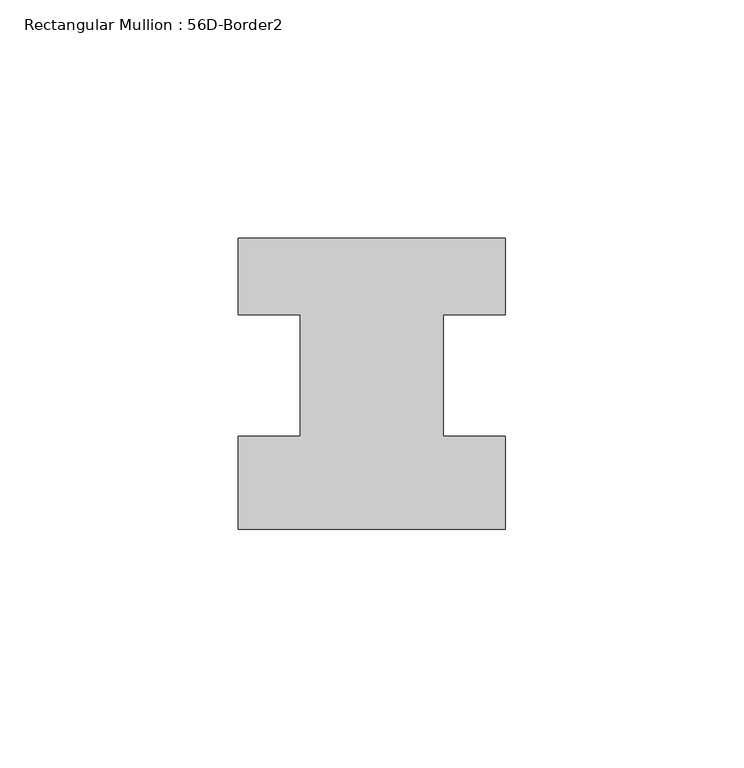
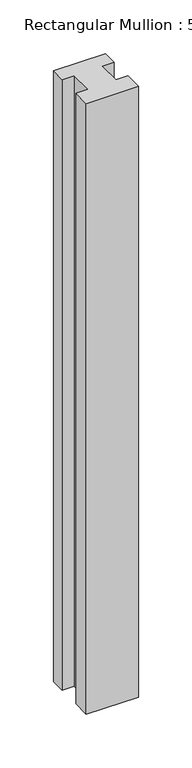
"""IFC4 building model written with IfcOpenShell, lengths in millimetres: member geometry, Rectangular Mullion : 56D-Border2."""

from ifc_helpers import new_model, si_unit, frame, origin, place, context, project, spatial, polyline, outline, extrude, source, transform, mapped, element, save


def rectangular_mullion_56d_border2_de0c01d8(model_context):
    return source(origin(), model_context, "Body", "SweptSolid", [
        extrude(outline(polyline([(0.0, -20.0), (-56.0, -20.0), (-56.0, -0.5), (-43.0, -0.5), (-43.0, 25.0), (-56.0, 25.0), (-56.0, 41.0), (0.0, 41.0), (0.0, 25.0), (-13.0, 25.0), (-13.0, -0.5), (0.0, -0.5), (0.0, -20.0)])), frame((0.0, 0.0, -694.0), z_axis=(0.0, 0.0, 1.0), x_axis=(1.0, 0.0, 0.0)), (0.0, 0.0, 1.0), 694.0),
    ])


if __name__ == "__main__":
    model = new_model("IFC4")
    model_context = context("Model", 3, world=origin())
    ifc_project = project(units=[si_unit("LENGTHUNIT", "METRE", prefix="MILLI")], contexts=[model_context])
    site = spatial("IfcSite", under=ifc_project)
    building = spatial("IfcBuilding", under=site)
    placement = place(None, origin())
    rectangular_mullion_56d_border2_shape = rectangular_mullion_56d_border2_de0c01d8(model_context)
    element("IfcMember", 1, ObjectType="Rectangular Mullion : 56D-Border2", at=placement, inside=building, context=model_context, shape_type="MappedRepresentation", body=[
        mapped(rectangular_mullion_56d_border2_shape, transform((0.0, 0.0, 0.0), x_axis=(1.0, 0.0, 0.0), y_axis=(0.0, 1.0, 0.0), z_axis=(0.0, 0.0, 1.0))),
    ])
    save(model, "model.ifc")
